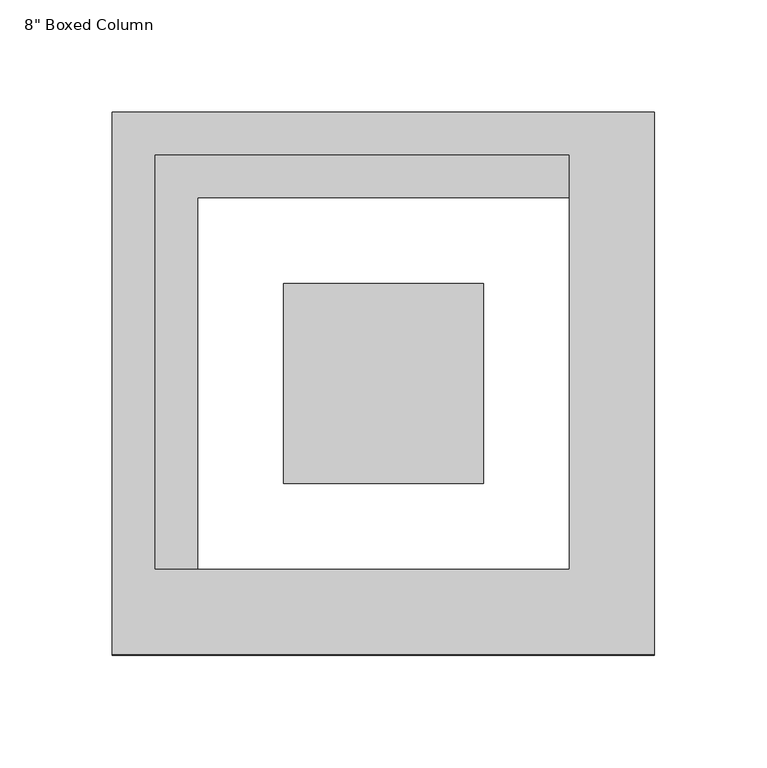
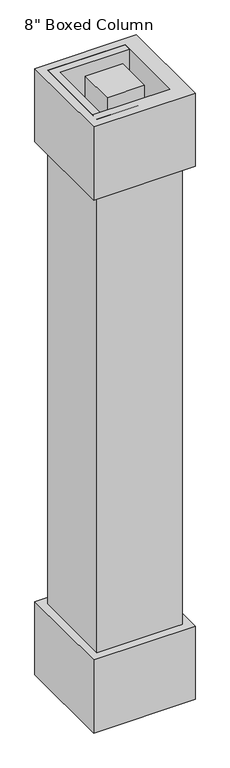
"""IFC4 building model written with IfcOpenShell, lengths in millimetres: proxy geometry."""

from ifc_helpers import new_model, si_unit, frame, origin, origin_with_axes, place, context, project, spatial, polyline, outline, extrude, source, transform, mapped, element, save


def proxy_75360aab(model_context):
    return source(origin(), model_context, "Body", "SweptSolid", [
        extrude(outline(polyline([(44.45, 44.45), (44.45, -44.45), (-44.45, -44.45), (-44.45, 44.45), (44.45, 44.45)])), origin_with_axes(), (0.0, 0.0, 1.0), 1524.0),
        extrude(outline(polyline([(120.65, 120.65), (120.65, -120.65), (-120.65, -120.65), (-120.65, 120.65), (120.65, 120.65)]), holes=[polyline([(82.55, 101.6), (-101.6, 101.6), (-101.6, -82.55), (82.55, -82.55), (82.55, 101.6)])]), frame((0.0, 0.0, 1339.85), z_axis=(0.0, 0.0, 1.0), x_axis=(1.0, 0.0, 0.0)), (0.0, 0.0, 1.0), 184.15),
        extrude(outline(polyline([(101.6, 101.6), (101.6, -101.6), (-101.6, -101.6), (-101.6, 101.6), (101.6, 101.6)]), holes=[polyline([(82.55, 82.55), (-82.55, 82.55), (-82.55, -82.55), (82.55, -82.55), (82.55, 82.55)])]), origin_with_axes(), (0.0, 0.0, 1.0), 1524.0),
        extrude(outline(polyline([(120.65, 120.65), (120.65, -120.65), (-120.65, -120.65), (-120.65, 120.65), (120.65, 120.65)]), holes=[polyline([(-101.6, 101.6), (-101.6, -101.6), (101.6, -101.6), (101.6, 101.6), (-101.6, 101.6)])]), origin_with_axes(), (0.0, 0.0, 1.0), 184.15),
    ])


if __name__ == "__main__":
    model = new_model("IFC4")
    model_context = context("Model", 3, world=origin())
    ifc_project = project(units=[si_unit("LENGTHUNIT", "METRE", prefix="MILLI")], contexts=[model_context])
    site = spatial("IfcSite", under=ifc_project)
    building = spatial("IfcBuilding", under=site)
    placement = place(None, origin())
    proxy_shape = proxy_75360aab(model_context)
    element("IfcBuildingElementProxy", 1, Name="8\" Boxed Column", ObjectType="8\" Boxed Column", at=placement, inside=building, context=model_context, shape_type="MappedRepresentation", body=[
        mapped(proxy_shape, transform((0.0, 0.0, 0.0), x_axis=(1.0, 0.0, 0.0), y_axis=(0.0, 1.0, 0.0), z_axis=(0.0, 0.0, 1.0))),
    ])
    save(model, "model.ifc")
